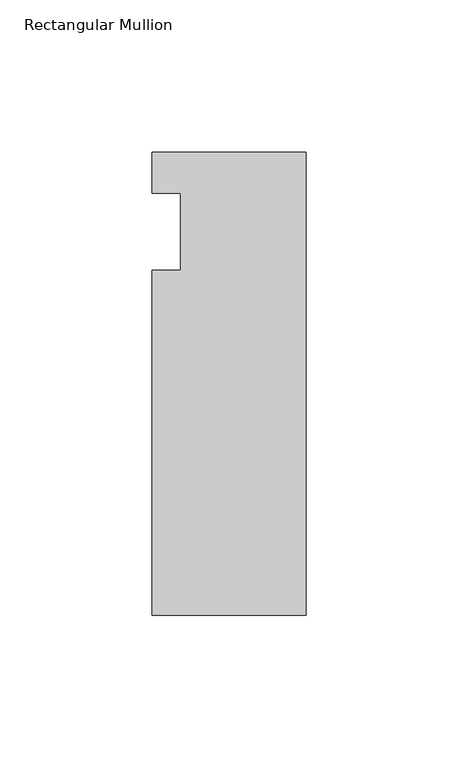
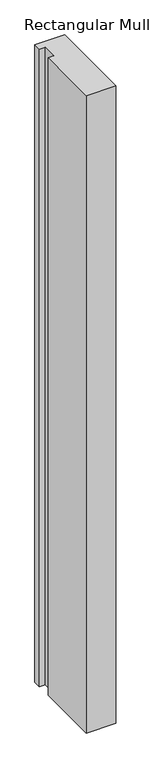
"""IFC4 building model written with IfcOpenShell, lengths in millimetres: member geometry, Rectangular Mullion."""

from ifc_helpers import new_model, si_unit, frame, origin, place, context, project, spatial, polyline, outline, extrude, source, transform, mapped, element, save


def rectangular_mullion_6d3b3861(model_context):
    return source(origin(), model_context, "Body", "SweptSolid", [
        extrude(outline(polyline([(-25.4, 26.19375), (25.4, 26.19375), (25.4, -126.20625), (-25.4, -126.20625), (-25.4, -12.7), (-15.875, -12.7), (-15.875, 12.7), (-25.4, 12.7), (-25.4, 26.19375)])), frame((0.0, 0.0, -1155.7), z_axis=(0.0, 0.0, 1.0), x_axis=(1.0, 0.0, 0.0)), (0.0, 0.0, 1.0), 1155.7),
    ])


if __name__ == "__main__":
    model = new_model("IFC4")
    model_context = context("Model", 3, world=origin())
    ifc_project = project(units=[si_unit("LENGTHUNIT", "METRE", prefix="MILLI")], contexts=[model_context])
    site = spatial("IfcSite", under=ifc_project)
    building = spatial("IfcBuilding", under=site)
    placement = place(None, origin())
    rectangular_mullion_shape = rectangular_mullion_6d3b3861(model_context)
    element("IfcMember", 1, ObjectType="Rectangular Mullion", at=placement, inside=building, context=model_context, shape_type="MappedRepresentation", body=[
        mapped(rectangular_mullion_shape, transform((0.0, 0.0, 0.0), x_axis=(1.0, 0.0, 0.0), y_axis=(0.0, 1.0, 0.0), z_axis=(0.0, 0.0, 1.0))),
    ])
    save(model, "model.ifc")
